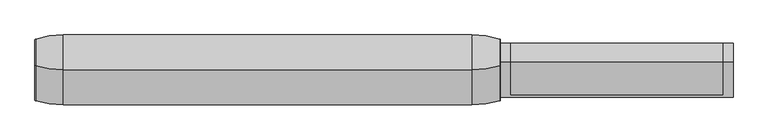
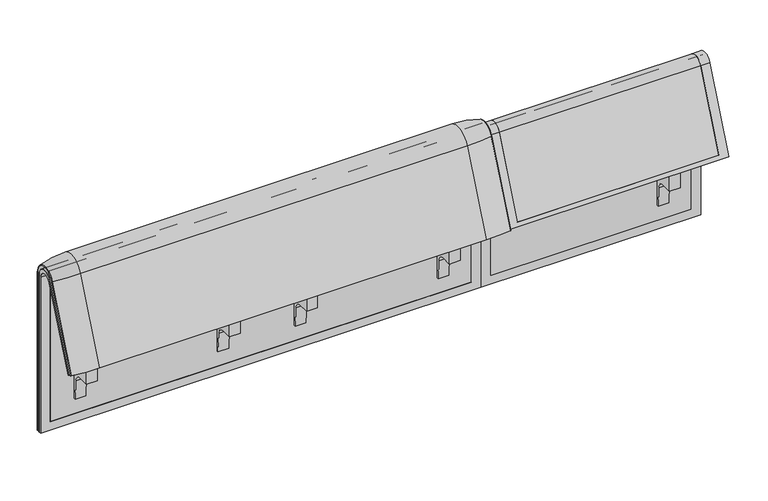
"""IFC4 building model written with IfcOpenShell, lengths in millimetres: furniture geometry."""

from ifc_helpers import new_model, si_unit, point, frame, frame_2d, origin, place, context, project, spatial, polyline, circle_curve, ellipse_curve, trimmed, segment, composite_curve, outline, extrude, source, transform, mapped, element, save
from ifc_brep_helpers import plane_surface, cylinder_surface, revolved_surface, advanced_brep


def furniture_bf7353c8(model_context):
    return source(origin(), model_context, "Body", "SolidModel", [
        extrude(outline(composite_curve([segment(trimmed(circle_curve(frame_2d((305.0000061, 379.9223263)), 30.0), [point((305.0000061, 349.9223263))], [point((335.0000061, 379.9223263))], True, "CARTESIAN"), True, "CONTINUOUS"), segment(polyline([(335.0000061, 379.9223263), (335.0000061, 515.0657595)]), True, "CONTINUOUS"), segment(trimmed(circle_curve(frame_2d((305.0000061, 515.0657595)), 30.0), [point((335.0000061, 515.0657595))], [point((316.7219399, 542.6809051))], True, "CARTESIAN"), True, "CONTINUOUS"), segment(polyline([(316.7219399, 542.6809051), (257.4911714, 567.8228747)]), True, "CONTINUOUS"), segment(trimmed(circle_curve(frame_2d((251.6302045, 554.0153019)), 15.0), [point((257.4911714, 567.8228747))], [point((238.0355877, 560.3545758))], True, "CARTESIAN"), True, "CONTINUOUS"), segment(polyline([(238.0355877, 560.3545758), (222.2725218, 526.5505721), (213.7507451, 529.5682915), (296.3054528, 724.0549949)]), True, "CONTINUOUS"), segment(trimmed(circle_curve(frame_2d((322.520748, 712.9272623)), 28.479258), [point((296.3054528, 724.0549949))], [point((351.0000061, 712.9272623))], False, "CARTESIAN"), True, "CONTINUOUS"), segment(polyline([(351.0000061, 712.9272623), (351.0000061, 197.0551771), (343.3075759, 197.0551771), (339.4064861, 271.492405)]), True, "CONTINUOUS"), segment(trimmed(circle_curve(frame_2d((309.4476, 269.9223263)), 30.0), [point((339.4064861, 271.492405))], [point((309.4476, 299.9223263))], True, "CARTESIAN"), True, "CONTINUOUS"), segment(polyline([(309.4476, 299.9223263), (270.0000061, 299.9223263), (270.0000061, 359.9223263), (275.0000061, 359.9223263)]), True, "CONTINUOUS"), segment(trimmed(circle_curve(frame_2d((285.0000061, 359.9223263)), 10.0), [point((275.0000061, 359.9223263))], [point((285.0000061, 349.9223263))], True, "CARTESIAN"), True, "CONTINUOUS"), segment(polyline([(285.0000061, 349.9223263), (305.0000061, 349.9223263)]), True, "CONTINUOUS")], self_intersect=False), holes=[composite_curve([segment(polyline([(337.5000061, 576.3274105), (337.5000061, 716.7072663)]), True, "CONTINUOUS"), segment(trimmed(circle_curve(frame_2d((322.5000061, 716.7072663)), 15.0), [point((337.5000061, 716.7072663))], [point((308.9053893, 723.0465402))], True, "CARTESIAN"), True, "CONTINUOUS"), segment(polyline([(308.9053893, 723.0465402), (253.6256191, 604.4986904)]), True, "CONTINUOUS"), segment(trimmed(circle_curve(frame_2d((271.7517748, 596.0463251)), 20.0), [point((253.6256191, 604.4986904))], [point((265.0756376, 577.1934953))], True, "CARTESIAN"), True, "CONTINUOUS"), segment(polyline([(265.0756376, 577.1934953), (314.1406626, 559.8186587)]), True, "CONTINUOUS"), segment(trimmed(circle_curve(frame_2d((319.9867182, 576.3274105)), 17.5132879), [point((314.1406626, 559.8186587))], [point((337.5000061, 576.3274105))], True, "CARTESIAN"), True, "CONTINUOUS")], self_intersect=False)]), frame((-284.9782527, 0.0, 0.0), z_axis=(1.0, 0.0, 0.0), x_axis=(0.0, 1.0, 0.0)), (0.0, 0.0, 1.0), 40.0),
        extrude(outline(composite_curve([segment(trimmed(circle_curve(frame_2d((305.0000061, 379.9223263)), 30.0), [point((305.0000061, 349.9223263))], [point((335.0000061, 379.9223263))], True, "CARTESIAN"), True, "CONTINUOUS"), segment(polyline([(335.0000061, 379.9223263), (335.0000061, 515.0657595)]), True, "CONTINUOUS"), segment(trimmed(circle_curve(frame_2d((305.0000061, 515.0657595)), 30.0), [point((335.0000061, 515.0657595))], [point((316.7219399, 542.6809051))], True, "CARTESIAN"), True, "CONTINUOUS"), segment(polyline([(316.7219399, 542.6809051), (257.4911714, 567.8228747)]), True, "CONTINUOUS"), segment(trimmed(circle_curve(frame_2d((251.6302045, 554.0153019)), 15.0), [point((257.4911714, 567.8228747))], [point((238.0355877, 560.3545758))], True, "CARTESIAN"), True, "CONTINUOUS"), segment(polyline([(238.0355877, 560.3545758), (222.2725218, 526.5505721), (213.7507451, 529.5682915), (296.3054528, 724.0549949)]), True, "CONTINUOUS"), segment(trimmed(circle_curve(frame_2d((322.520748, 712.9272623)), 28.479258), [point((296.3054528, 724.0549949))], [point((351.0000061, 712.9272623))], False, "CARTESIAN"), True, "CONTINUOUS"), segment(polyline([(351.0000061, 712.9272623), (351.0000061, 197.0551771), (343.3075759, 197.0551771), (339.4064861, 271.492405)]), True, "CONTINUOUS"), segment(trimmed(circle_curve(frame_2d((309.4476, 269.9223263)), 30.0), [point((339.4064861, 271.492405))], [point((309.4476, 299.9223263))], True, "CARTESIAN"), True, "CONTINUOUS"), segment(polyline([(309.4476, 299.9223263), (270.0000061, 299.9223263), (270.0000061, 359.9223263), (275.0000061, 359.9223263)]), True, "CONTINUOUS"), segment(trimmed(circle_curve(frame_2d((285.0000061, 359.9223263)), 10.0), [point((275.0000061, 359.9223263))], [point((285.0000061, 349.9223263))], True, "CARTESIAN"), True, "CONTINUOUS"), segment(polyline([(285.0000061, 349.9223263), (305.0000061, 349.9223263)]), True, "CONTINUOUS")], self_intersect=False), holes=[composite_curve([segment(polyline([(337.5000061, 576.3274105), (337.5000061, 716.7072663)]), True, "CONTINUOUS"), segment(trimmed(circle_curve(frame_2d((322.5000061, 716.7072663)), 15.0), [point((337.5000061, 716.7072663))], [point((308.9053893, 723.0465402))], True, "CARTESIAN"), True, "CONTINUOUS"), segment(polyline([(308.9053893, 723.0465402), (253.6256191, 604.4986904)]), True, "CONTINUOUS"), segment(trimmed(circle_curve(frame_2d((271.7517748, 596.0463251)), 20.0), [point((253.6256191, 604.4986904))], [point((265.0756376, 577.1934953))], True, "CARTESIAN"), True, "CONTINUOUS"), segment(polyline([(265.0756376, 577.1934953), (314.1406626, 559.8186587)]), True, "CONTINUOUS"), segment(trimmed(circle_curve(frame_2d((319.9867182, 576.3274105)), 17.5132879), [point((314.1406626, 559.8186587))], [point((337.5000061, 576.3274105))], True, "CARTESIAN"), True, "CONTINUOUS")], self_intersect=False)]), frame((245.0113409, 0.0, 0.0), z_axis=(1.0, 0.0, 0.0), x_axis=(0.0, 1.0, 0.0)), (0.0, 0.0, 1.0), 40.0),
        advanced_brep(
        [(408.0237127, 351.0000061, 101.8476716), (408.0237127, 359.7858817, 101.8476716), (408.0237127, 359.7858817, 720.3417731), (408.0237127, 292.4403877, 733.7122262), (408.0237127, 170.1966807, 437.98305), (408.0237127, 175.0204081, 435.9866665), (408.0237127, 296.2458652, 723.9869215), (408.0237127, 351.0000061, 712.9272623), (-1223.9718733, 351.0000061, 101.8476716), (-1223.9718733, 351.0000061, 712.9272623), (-1223.9718733, 296.2720241, 723.9759107), (-1223.9718733, 175.0204081, 435.9866665), (-1223.9718733, 170.1966807, 437.98305), (-1223.9718733, 292.4403877, 733.7122262), (-1223.9718733, 359.7858817, 720.3417731), (-1223.9718733, 359.7858817, 101.8476716), (373.1071685, 292.4403877, 733.7122262), (373.1071685, 176.0980387, 452.25948), (-1189.0884174, 176.0980387, 452.25948), (-1189.0884174, 292.4403877, 733.7122262), (-1189.0884174, 296.2458652, 723.9869215), (-1189.0884174, 181.0136548, 450.2250668), (373.1071685, 181.0136548, 450.2250668), (373.1071685, 296.2458652, 723.9869215), (373.1071685, 351.0000061, 712.9272623), (373.1071685, 351.0000061, 135.3766997), (-1189.0884174, 351.0000061, 135.3766997), (-1189.0884174, 351.0000061, 712.9272623), (-1189.0884174, 359.7858817, 720.3417731), (-1189.0884174, 359.7858817, 135.3766997), (373.1071685, 359.7858817, 135.3766997), (373.1071685, 359.7858817, 720.3417731)],
        [
            (0, 1),
            (1, 2),
            (2, 3, circle_curve(frame((408.0237127, 324.7858817, 720.3417731), z_axis=(1.0, 0.0, 0.0), x_axis=(0.0, -1.0, 0.0)), 35.0)),
            (3, 4),
            (4, 5),
            (5, 6),
            (6, 7, circle_curve(frame((408.0237127, 322.520748, 712.9272623), z_axis=(-1.0, 0.0, 0.0), x_axis=(0.0, -1.0, 0.0)), 28.479258)),
            (7, 0),
            (8, 9),
            (9, 10, circle_curve(frame((-1223.9718733, 322.520748, 712.9272623), z_axis=(1.0, 0.0, 0.0), x_axis=(0.0, -1.0, 0.0)), 28.479258)),
            (10, 11),
            (11, 12),
            (12, 13),
            (13, 14, circle_curve(frame((-1223.9718733, 324.7858817, 720.3417731), z_axis=(-1.0, 0.0, 0.0), x_axis=(0.0, -1.0, 0.0)), 35.0)),
            (14, 15),
            (15, 8),
            (3, 16),
            (16, 17),
            (17, 18),
            (18, 19),
            (19, 13),
            (12, 4),
            (11, 5),
            (10, 20),
            (20, 21),
            (21, 22),
            (22, 23),
            (23, 6),
            (7, 24),
            (24, 25),
            (25, 26),
            (26, 27),
            (27, 9),
            (8, 0),
            (15, 1),
            (14, 28),
            (28, 29),
            (29, 30),
            (30, 31),
            (31, 2),
            (31, 16, circle_curve(frame((373.1071685, 324.7858817, 720.3417731), z_axis=(1.0, 0.0, 0.0), x_axis=(0.0, -1.0, 0.0)), 35.0)),
            (19, 28, circle_curve(frame((-1189.0884174, 324.7858817, 720.3417731), z_axis=(-1.0, 0.0, 0.0), x_axis=(0.0, -1.0, 0.0)), 35.0)),
            (23, 24, circle_curve(frame((373.1071685, 322.520748, 712.9272623), z_axis=(-1.0, 0.0, 0.0), x_axis=(0.0, -1.0, 0.0)), 28.479258)),
            (27, 20, circle_curve(frame((-1189.0884174, 322.520748, 712.9272623), z_axis=(1.0, 0.0, 0.0), x_axis=(0.0, -1.0, 0.0)), 28.479258)),
            (22, 17),
            (30, 25),
            (26, 29),
            (18, 21),
        ],
        [
            plane_surface(frame((408.0237127, 359.7858817, 101.8476716), z_axis=(1.0, 0.0, 0.0), x_axis=(0.0, 1.0, 0.0))),
            plane_surface(frame((-1223.9718733, 359.7858817, 101.8476716), z_axis=(-1.0, 0.0, 0.0), x_axis=(0.0, -1.0, 0.0))),
            plane_surface(frame((408.0237127, 292.4403877, 733.7122262), z_axis=(0.0, -0.9241569717933176, 0.3820129467515535), x_axis=(-1.0, 0.0, 0.0))),
            plane_surface(frame((408.0237127, 170.1966807, 437.98305), z_axis=(0.0, -0.3824103944198279, -0.9239925812687414), x_axis=(-1.0, 0.0, 0.0))),
            plane_surface(frame((408.0237127, 175.0204081, 435.9866665), z_axis=(0.0, 0.921678643444566, -0.3879542218073993), x_axis=(-1.0, 0.0, 0.0))),
            plane_surface(frame((408.0237127, 351.0000061, 712.9272623), z_axis=(0.0, -1.0, 0.0), x_axis=(-1.0, 0.0, 0.0))),
            plane_surface(frame((408.0237127, 351.0000061, 101.8476716), z_axis=(0.0, 0.0, -1.0), x_axis=(-1.0, 0.0, 0.0))),
            plane_surface(frame((408.0237127, 359.7858817, 101.8476716), z_axis=(0.0, 1.0, 0.0), x_axis=(-1.0, 0.0, 0.0))),
            cylinder_surface(frame((-1223.9718733, 324.7858817, 720.3417731), z_axis=(1.0, 0.0, 0.0), x_axis=(0.0, -1.0, 0.0)), 35.0),
            revolved_surface(polyline([(373.10716849999994, 294.04149, 712.9272623), (408.02371270000003, 294.04149, 712.9272623)]), (-1223.9718733, 322.520748, 712.9272623), (-1.0, 0.0, 0.0)),
            revolved_surface(polyline([(-1223.9718733, 294.04149, 712.9272623), (-1189.0884174, 294.04149, 712.9272623)]), (-1223.9718733, 322.520748, 712.9272623), (-1.0, 0.0, 0.0)),
            plane_surface(frame((373.1071685, 359.7858817, 135.3766997), z_axis=(-1.0, 0.0, 0.0), x_axis=(0.0, 1.0, 0.0))),
            plane_surface(frame((-1189.0884174, 359.7858817, 135.3766997), z_axis=(1.0, 0.0, 0.0), x_axis=(0.0, -1.0, 0.0))),
            plane_surface(frame((373.1071685, 166.9120641, 456.0612553), z_axis=(0.0, 0.38241039441982605, 0.9239925812687422), x_axis=(-1.0, 0.0, 0.0))),
            plane_surface(frame((373.1071685, 344.7858817, 135.3766997), z_axis=(0.0, 0.0, 1.0), x_axis=(-1.0, 0.0, 0.0))),
        ],
        [
            (0, [[1, 2, 3, 4, 5, 6, 7, 8]]),
            (1, [[9, 10, 11, 12, 13, 14, 15, 16]]),
            (2, [[-4, 17, 18, 19, 20, 21, -13, 22]]),
            (3, [[-5, -22, -12, 23]]),
            (4, [[-6, -23, -11, 24, 25, 26, 27, 28]]),
            (5, [[-8, 29, 30, 31, 32, 33, -9, 34]]),
            (6, [[-1, -34, -16, 35]]),
            (7, [[-2, -35, -15, 36, 37, 38, 39, 40]]),
            (8, [[-3, -40, 41, -17]]),
            (8, [[-14, -21, 42, -36]]),
            (9, [[-7, -28, 43, -29]]),
            (10, [[-10, -33, 44, -24]]),
            (11, [[45, -18, -41, -39, 46, -30, -43, -27]]),
            (12, [[47, -37, -42, -20, 48, -25, -44, -32]]),
            (13, [[-45, -26, -48, -19]]),
            (14, [[-46, -38, -47, -31]]),
        ],
    ),
        advanced_brep(
        [(373.1071685, 351.0000061, 135.3766997), (373.1071685, 359.7858817, 135.3766997), (373.1071685, 359.7858817, 720.3417731), (373.1071685, 292.4403877, 733.7122262), (373.1071685, 176.0980387, 452.25948), (373.1071685, 181.0136548, 450.2250668), (373.1071685, 296.2458652, 723.9869215), (373.1071685, 351.0000061, 712.9272623), (-1189.0884174, 351.0000061, 135.3766997), (-1189.0884174, 351.0000061, 712.9272623), (-1189.0884174, 296.2720241, 723.9759107), (-1189.0884174, 181.0136548, 450.2250668), (-1189.0884174, 176.0980387, 452.25948), (-1189.0884174, 292.4403877, 733.7122262), (-1189.0884174, 359.7858817, 720.3417731), (-1189.0884174, 359.7858817, 135.3766997)],
        [
            (0, 1),
            (1, 2),
            (2, 3, circle_curve(frame((373.1071685, 324.7858817, 720.3417731), z_axis=(1.0, 0.0, 0.0), x_axis=(0.0, -1.0, 0.0)), 35.0)),
            (3, 4),
            (4, 5),
            (5, 6),
            (6, 7, circle_curve(frame((373.1071685, 322.520748, 712.9272623), z_axis=(-1.0, 0.0, 0.0), x_axis=(0.0, -1.0, 0.0)), 28.479258)),
            (7, 0),
            (8, 9),
            (9, 10, circle_curve(frame((-1189.0884174, 322.520748, 712.9272623), z_axis=(1.0, 0.0, 0.0), x_axis=(0.0, -1.0, 0.0)), 28.479258)),
            (10, 11),
            (11, 12),
            (12, 13),
            (13, 14, circle_curve(frame((-1189.0884174, 324.7858817, 720.3417731), z_axis=(-1.0, 0.0, 0.0), x_axis=(0.0, -1.0, 0.0)), 35.0)),
            (14, 15),
            (15, 8),
            (3, 13),
            (12, 4),
            (11, 5),
            (10, 6),
            (7, 9),
            (8, 0),
            (15, 1),
            (14, 2),
        ],
        [
            plane_surface(frame((373.1071685, 359.7858817, 135.3766997), z_axis=(1.0, 0.0, 0.0), x_axis=(0.0, 1.0, 0.0))),
            plane_surface(frame((-1189.0884174, 359.7858817, 135.3766997), z_axis=(-1.0, 0.0, 0.0), x_axis=(0.0, -1.0, 0.0))),
            plane_surface(frame((373.1071685, 292.4403877, 733.7122262), z_axis=(0.0, -0.9241569717933176, 0.3820129467515535), x_axis=(-1.0, 0.0, 0.0))),
            plane_surface(frame((373.1071685, 176.0980387, 452.25948), z_axis=(0.0, -0.38241039441982716, -0.9239925812687417), x_axis=(-1.0, 0.0, 0.0))),
            plane_surface(frame((373.1071685, 181.0136548, 450.2250668), z_axis=(0.0, 0.921678643444566, -0.3879542218073993), x_axis=(-1.0, 0.0, 0.0))),
            plane_surface(frame((373.1071685, 351.0000061, 712.9272623), z_axis=(0.0, -1.0, 0.0), x_axis=(-1.0, 0.0, 0.0))),
            plane_surface(frame((373.1071685, 351.0000061, 135.3766997), z_axis=(0.0, 0.0, -1.0), x_axis=(-1.0, 0.0, 0.0))),
            plane_surface(frame((373.1071685, 359.7858817, 135.3766997), z_axis=(0.0, 1.0, 0.0), x_axis=(-1.0, 0.0, 0.0))),
            cylinder_surface(frame((-1189.0884174, 324.7858817, 720.3417731), z_axis=(1.0, 0.0, 0.0), x_axis=(0.0, -1.0, 0.0)), 35.0),
            revolved_surface(polyline([(-1189.0884174, 294.04149, 712.9272623), (373.10716849999994, 294.04149, 712.9272623)]), (-1189.0884174, 322.520748, 712.9272623), (-1.0, 0.0, 0.0)),
        ],
        [
            (0, [[1, 2, 3, 4, 5, 6, 7, 8]]),
            (1, [[9, 10, 11, 12, 13, 14, 15, 16]]),
            (2, [[-4, 17, -13, 18]]),
            (3, [[-5, -18, -12, 19]]),
            (4, [[-6, -19, -11, 20]]),
            (5, [[-8, 21, -9, 22]]),
            (6, [[-1, -22, -16, 23]]),
            (7, [[-2, -23, -15, 24]]),
            (8, [[-3, -24, -14, -17]]),
            (9, [[-7, -20, -10, -21]]),
        ],
    ),
        extrude(outline(composite_curve([segment(trimmed(circle_curve(frame_2d((305.0000061, 379.9223263)), 30.0), [point((305.0000061, 349.9223263))], [point((335.0000061, 379.9223263))], True, "CARTESIAN"), True, "CONTINUOUS"), segment(polyline([(335.0000061, 379.9223263), (335.0000061, 515.0657595)]), True, "CONTINUOUS"), segment(trimmed(circle_curve(frame_2d((305.0000061, 515.0657595)), 30.0), [point((335.0000061, 515.0657595))], [point((316.7219399, 542.6809051))], True, "CARTESIAN"), True, "CONTINUOUS"), segment(polyline([(316.7219399, 542.6809051), (257.4911714, 567.8228747)]), True, "CONTINUOUS"), segment(trimmed(circle_curve(frame_2d((251.6302045, 554.0153019)), 15.0), [point((257.4911714, 567.8228747))], [point((238.0355877, 560.3545758))], True, "CARTESIAN"), True, "CONTINUOUS"), segment(polyline([(238.0355877, 560.3545758), (222.2725218, 526.5505721), (213.7507451, 529.5682915), (296.3054528, 724.0549949)]), True, "CONTINUOUS"), segment(trimmed(circle_curve(frame_2d((322.520748, 712.9272623)), 28.479258), [point((296.3054528, 724.0549949))], [point((351.0000061, 712.9272623))], False, "CARTESIAN"), True, "CONTINUOUS"), segment(polyline([(351.0000061, 712.9272623), (351.0000061, 197.0551771), (343.3075759, 197.0551771), (339.4064861, 271.492405)]), True, "CONTINUOUS"), segment(trimmed(circle_curve(frame_2d((309.4476, 269.9223263)), 30.0), [point((339.4064861, 271.492405))], [point((309.4476, 299.9223263))], True, "CARTESIAN"), True, "CONTINUOUS"), segment(polyline([(309.4476, 299.9223263), (270.0000061, 299.9223263), (270.0000061, 359.9223263), (275.0000061, 359.9223263)]), True, "CONTINUOUS"), segment(trimmed(circle_curve(frame_2d((285.0000061, 359.9223263)), 10.0), [point((275.0000061, 359.9223263))], [point((285.0000061, 349.9223263))], True, "CARTESIAN"), True, "CONTINUOUS"), segment(polyline([(285.0000061, 349.9223263), (305.0000061, 349.9223263)]), True, "CONTINUOUS")], self_intersect=False), holes=[composite_curve([segment(polyline([(337.5000061, 576.3274105), (337.5000061, 716.7072663)]), True, "CONTINUOUS"), segment(trimmed(circle_curve(frame_2d((322.5000061, 716.7072663)), 15.0), [point((337.5000061, 716.7072663))], [point((308.9053893, 723.0465402))], True, "CARTESIAN"), True, "CONTINUOUS"), segment(polyline([(308.9053893, 723.0465402), (253.6256191, 604.4986904)]), True, "CONTINUOUS"), segment(trimmed(circle_curve(frame_2d((271.7517748, 596.0463251)), 20.0), [point((253.6256191, 604.4986904))], [point((265.0756376, 577.1934953))], True, "CARTESIAN"), True, "CONTINUOUS"), segment(polyline([(265.0756376, 577.1934953), (314.1406626, 559.8186587)]), True, "CONTINUOUS"), segment(trimmed(circle_curve(frame_2d((319.9867182, 576.3274105)), 17.5132879), [point((314.1406626, 559.8186587))], [point((337.5000061, 576.3274105))], True, "CARTESIAN"), True, "CONTINUOUS")], self_intersect=False)]), frame((-571.0029962, 0.0, 0.0), z_axis=(1.0, 0.0, 0.0), x_axis=(0.0, 1.0, 0.0)), (0.0, 0.0, 1.0), 40.0),
        advanced_brep(
        [(308.0237127, 388.2902376, 100.5089435), (405.8850842, 373.93893, 100.5089435), (408.0237127, 371.0652495, 100.5089435), (408.0237127, 359.7858817, 100.5089435), (-1224.0049615, 359.7858817, 100.5089435), (-1224.0049615, 371.0652495, 100.5089435), (-1221.866333, 373.93893, 100.5089435), (-1124.0049615, 388.2902376, 100.5089435), (-1124.0049615, 388.2902376, 720.3417731), (308.0237127, 388.2902376, 720.3417731), (405.8850842, 373.93893, 720.3417731), (408.0237127, 371.0652495, 720.3417731), (408.0237127, 282.0164812, 738.0210907), (408.0237127, 159.7723383, 442.2908598), (408.0237127, 170.1962447, 437.9819952), (408.0237127, 292.4403877, 733.7122262), (408.0237127, 359.7858817, 720.3417731), (-1224.0049615, 359.7858817, 720.3417731), (308.0237127, 143.8537454, 448.8710282), (-1124.0049615, 143.8537454, 448.8710282), (-1221.866333, 157.1166065, 443.3886429), (-1224.0049615, 159.7723383, 442.2908598), (-1224.0049615, 170.1962447, 437.9819952), (405.8850842, 157.1166065, 443.3886429), (308.0237127, 266.0978884, 744.6012592), (-1124.0049615, 266.0978884, 744.6012592), (405.8850842, 279.3607494, 739.1188739), (-1224.0049615, 292.4403877, 733.7122262), (-1224.0049615, 282.0164812, 738.0210907), (-1224.0049615, 371.0652495, 720.3417731), (-1221.866333, 373.93893, 720.3417731), (-1221.866333, 279.3607494, 739.1188739)],
        [
            (0, 1, circle_curve(frame((308.0237127, 47.4569043, 100.5089435), z_axis=(0.0, 0.0, -1.0), x_axis=(0.0, -1.0, 0.0)), 340.8333333)),
            (1, 2, circle_curve(frame((405.0237127, 371.0652495, 100.5089435), z_axis=(0.0, 0.0, -1.0), x_axis=(1.0, 0.0, 0.0)), 3.0)),
            (2, 3),
            (3, 4),
            (4, 5),
            (5, 6, circle_curve(frame((-1221.0049615, 371.0652495, 100.5089435), z_axis=(0.0, 0.0, -1.0), x_axis=(-1.0, 0.0, 0.0)), 3.0)),
            (6, 7, circle_curve(frame((-1124.0049615, 47.4569043, 100.5089435), z_axis=(0.0, 0.0, -1.0), x_axis=(0.0, -1.0, 0.0)), 340.8333333)),
            (7, 0),
            (7, 8),
            (8, 9),
            (9, 0),
            (9, 10, circle_curve(frame((308.0237127, 47.4569043, 720.3417731), z_axis=(0.0, 0.0, -1.0), x_axis=(0.0, -1.0, 0.0)), 340.8333333)),
            (10, 1),
            (10, 11, circle_curve(frame((405.0237127, 371.0652495, 720.3417731), z_axis=(0.0, 0.0, -1.0), x_axis=(1.0, 0.0, 0.0)), 3.0)),
            (11, 2),
            (11, 12, circle_curve(frame((408.0237127, 324.7858817, 720.3417731), z_axis=(1.0, 0.0, 0.0), x_axis=(0.0, 1.0, 0.0)), 46.2793679)),
            (12, 13),
            (13, 14),
            (14, 15),
            (15, 16, circle_curve(frame((408.0237127, 324.7858817, 720.3417731), z_axis=(-1.0, 0.0, 0.0), x_axis=(0.0, 1.0, 0.0)), 35.0)),
            (16, 3),
            (16, 17),
            (17, 4),
            (18, 19),
            (19, 20, circle_curve(frame((-1124.0049615, 458.8372467, 318.6682822), z_axis=(0.0, -0.38201294675155345, -0.9241569717933176), x_axis=(0.0, 0.9241569717933176, -0.38201294675155345)), 340.8333333)),
            (20, 21, circle_curve(frame((-1221.0049615, 159.7723383, 442.2908598), z_axis=(0.0, -0.38201294675155345, -0.9241569717933176), x_axis=(-1.0, 0.0, 0.0)), 3.0)),
            (21, 22),
            (22, 14),
            (13, 23, circle_curve(frame((405.0237127, 159.7723383, 442.2908598), z_axis=(0.0, -0.38201294675155345, -0.9241569717933176), x_axis=(1.0, 0.0, 0.0)), 3.0)),
            (23, 18, circle_curve(frame((308.0237127, 458.8372467, 318.6682822), z_axis=(0.0, -0.38201294675155345, -0.9241569717933176), x_axis=(0.0, 0.9241569717933176, -0.38201294675155345)), 340.8333333)),
            (24, 9, circle_curve(frame((308.0237127, 324.7858817, 720.3417731), z_axis=(-1.0, 0.0, 0.0), x_axis=(0.0, 1.0, 0.0)), 63.5043559)),
            (8, 25, circle_curve(frame((-1124.0049615, 324.7858817, 720.3417731), z_axis=(1.0, 0.0, 0.0), x_axis=(0.0, 1.0, 0.0)), 63.5043559)),
            (25, 24),
            (26, 10, circle_curve(frame((405.8850842, 324.7858817, 720.3417731), z_axis=(-1.0, 0.0, 0.0), x_axis=(0.0, 1.0, 0.0)), 49.1530483)),
            (24, 26, circle_curve(frame((308.0237127, 581.0813896, 614.3985132), z_axis=(0.0, 0.3820129467515556, 0.9241569717933167), x_axis=(0.0, 0.9241569717933167, -0.3820129467515556)), 340.8333333)),
            (26, 12, circle_curve(frame((405.0237127, 282.0164812, 738.0210907), z_axis=(0.0, 0.3820129467515548, 0.924156971793317), x_axis=(1.0, 0.0, 0.0)), 3.0)),
            (27, 17, circle_curve(frame((-1224.0049615, 324.7858817, 720.3417731), z_axis=(-1.0, 0.0, 0.0), x_axis=(0.0, 1.0, 0.0)), 35.0)),
            (15, 27),
            (25, 19),
            (18, 24),
            (23, 26),
            (22, 27),
            (21, 28),
            (28, 29, circle_curve(frame((-1224.0049615, 324.7858817, 720.3417731), z_axis=(-1.0, 0.0, 0.0), x_axis=(0.0, 1.0, 0.0)), 46.2793679)),
            (29, 5),
            (29, 30, circle_curve(frame((-1221.0049615, 371.0652495, 720.3417731), z_axis=(0.0, 0.0, -1.0), x_axis=(-1.0, 0.0, 0.0)), 3.0)),
            (30, 6),
            (30, 8, circle_curve(frame((-1124.0049615, 47.4569043, 720.3417731), z_axis=(0.0, 0.0, -1.0), x_axis=(0.0, -1.0, 0.0)), 340.8333333)),
            (31, 30, circle_curve(frame((-1221.866333, 324.7858817, 720.3417731), z_axis=(-1.0, 0.0, 0.0), x_axis=(0.0, 1.0, 0.0)), 49.1530483)),
            (28, 31, circle_curve(frame((-1221.0049615, 282.0164812, 738.0210907), z_axis=(0.0, 0.382012946751554, 0.9241569717933174), x_axis=(-1.0, 0.0, 0.0)), 3.0)),
            (31, 25, circle_curve(frame((-1124.0049615, 581.0813896, 614.3985132), z_axis=(0.0, 0.382012946751554, 0.9241569717933174), x_axis=(0.0, 0.9241569717933174, -0.382012946751554)), 340.8333333)),
            (20, 31),
        ],
        [
            plane_surface(frame((-811.2327697, 359.7858817, 100.5089435), z_axis=(0.0, 0.0, -1.0), x_axis=(1.0, 0.0, 0.0))),
            plane_surface(frame((-1124.0049615, 388.2902376, 100.5089435), z_axis=(0.0, 1.0, 0.0), x_axis=(0.0, 0.0, 1.0))),
            cylinder_surface(frame((308.0237127, 47.4569043, 100.5089435), z_axis=(0.0, 0.0, -1.0), x_axis=(0.0, -1.0, 0.0)), 340.8333333),
            cylinder_surface(frame((405.0237127, 371.0652495, 100.5089435), z_axis=(0.0, 0.0, -1.0), x_axis=(1.0, 0.0, 0.0)), 3.0),
            plane_surface(frame((408.0237127, 371.0652495, 100.5089435), z_axis=(1.0, 0.0, 0.0), x_axis=(0.0, 0.0, 1.0))),
            plane_surface(frame((408.0237127, 359.7858817, 100.5089435), z_axis=(0.0, -1.0, 0.0), x_axis=(0.0, 0.0, 1.0))),
            plane_surface(frame((-811.2327697, 170.1962447, 437.9819952), z_axis=(0.0, -0.38201294675155345, -0.9241569717933176), x_axis=(1.0, 0.0, 0.0))),
            cylinder_surface(frame((-811.2327697, 324.7858817, 720.3417731), z_axis=(1.0, 0.0, 0.0), x_axis=(0.0, 1.0, 0.0)), 63.5043559),
            revolved_surface(trimmed(ellipse_curve(frame((308.0237127, 47.4569043, 720.3417731), z_axis=(0.0, 0.0, -1.0), x_axis=(0.0, -1.0, 0.0)), 340.8333333, 340.8333333), [point((308.0237127, 388.2902376, 720.3417731))], [point((405.8850842, 373.93893, 720.3417731))], True, "CARTESIAN"), (-811.2327697, 324.7858817, 720.3417731), (1.0, 0.0, 0.0)),
            revolved_surface(trimmed(ellipse_curve(frame((405.0237127, 371.0652495, 720.3417731), z_axis=(0.0, 0.0, -1.0), x_axis=(1.0, 0.0, 0.0)), 3.0, 3.0), [point((405.8850842, 373.93893, 720.3417731))], [point((408.0237127, 371.0652495, 720.3417731))], True, "CARTESIAN"), (-811.2327697, 324.7858817, 720.3417731), (1.0, 0.0, 0.0)),
            revolved_surface(polyline([(408.0237126999999, 359.7858817, 720.3417731), (-1224.0049615, 359.7858817, 720.3417731)]), (-811.2327697, 324.7858817, 720.3417731), (1.0, 0.0, 0.0)),
            plane_surface(frame((-1124.0049615, 266.0978884, 744.6012592), z_axis=(0.0, -0.9241569717933174, 0.38201294675155406), x_axis=(0.0, -0.38201294675155406, -0.9241569717933174))),
            cylinder_surface(frame((308.0237127, 581.0813896, 614.3985132), z_axis=(0.0, 0.38201294675155345, 0.9241569717933176), x_axis=(0.0, 0.9241569717933176, -0.38201294675155345)), 340.8333333),
            cylinder_surface(frame((405.0237127, 282.0164812, 738.0210907), z_axis=(0.0, 0.38201294675155345, 0.9241569717933176), x_axis=(1.0, 0.0, 0.0)), 3.0),
            plane_surface(frame((408.0237127, 292.4403877, 733.7122262), z_axis=(0.0, 0.9241569717933175, -0.3820129467515539), x_axis=(0.0, -0.3820129467515539, -0.9241569717933175))),
            plane_surface(frame((-1224.0049615, 359.7858817, 100.5089435), z_axis=(-1.0, 0.0, 0.0), x_axis=(0.0, 0.0, 1.0))),
            cylinder_surface(frame((-1221.0049615, 371.0652495, 100.5089435), z_axis=(0.0, 0.0, -1.0), x_axis=(-1.0, 0.0, 0.0)), 3.0),
            cylinder_surface(frame((-1124.0049615, 47.4569043, 100.5089435), z_axis=(0.0, 0.0, -1.0), x_axis=(0.0, -1.0, 0.0)), 340.8333333),
            revolved_surface(trimmed(ellipse_curve(frame((-1221.0049615, 371.0652495, 720.3417731), z_axis=(0.0, 0.0, -1.0), x_axis=(-1.0, 0.0, 0.0)), 3.0, 3.0), [point((-1224.0049615, 371.0652495, 720.3417731))], [point((-1221.866333, 373.93893, 720.3417731))], True, "CARTESIAN"), (-811.2327697, 324.7858817, 720.3417731), (1.0, 0.0, 0.0)),
            revolved_surface(trimmed(ellipse_curve(frame((-1124.0049615, 47.4569043, 720.3417731), z_axis=(0.0, 0.0, -1.0), x_axis=(0.0, -1.0, 0.0)), 340.8333333, 340.8333333), [point((-1221.866333, 373.93893, 720.3417731))], [point((-1124.0049615, 388.2902376, 720.3417731))], True, "CARTESIAN"), (-811.2327697, 324.7858817, 720.3417731), (1.0, 0.0, 0.0)),
            cylinder_surface(frame((-1221.0049615, 282.0164812, 738.0210907), z_axis=(0.0, 0.38201294675155345, 0.9241569717933176), x_axis=(-1.0, 0.0, 0.0)), 3.0),
            cylinder_surface(frame((-1124.0049615, 581.0813896, 614.3985132), z_axis=(0.0, 0.38201294675155345, 0.9241569717933176), x_axis=(0.0, 0.9241569717933176, -0.38201294675155345)), 340.8333333),
        ],
        [
            (0, [[1, 2, 3, 4, 5, 6, 7, 8]]),
            (1, [[-8, 9, 10, 11]]),
            (2, [[-1, -11, 12, 13]]),
            (3, [[-2, -13, 14, 15]]),
            (4, [[-3, -15, 16, 17, 18, 19, 20, 21]]),
            (5, [[-4, -21, 22, 23]]),
            (6, [[24, 25, 26, 27, 28, -18, 29, 30]]),
            (7, [[31, -10, 32, 33]]),
            (8, [[34, -12, -31, 35]]),
            (9, [[-16, -14, -34, 36]]),
            (10, [[37, -22, -20, 38]]),
            (11, [[-33, 39, -24, 40]]),
            (12, [[-35, -40, -30, 41]]),
            (13, [[-36, -41, -29, -17]]),
            (14, [[-38, -19, -28, 42]]),
            (15, [[-5, -23, -37, -42, -27, 43, 44, 45]]),
            (16, [[-6, -45, 46, 47]]),
            (17, [[-7, -47, 48, -9]]),
            (18, [[49, -46, -44, 50]]),
            (19, [[-32, -48, -49, 51]]),
            (20, [[-50, -43, -26, 52]]),
            (21, [[-51, -52, -25, -39]]),
        ],
    ),
        extrude(outline(composite_curve([segment(trimmed(circle_curve(frame_2d((305.0000061, 379.9223263)), 30.0), [point((305.0000061, 349.9223263))], [point((335.0000061, 379.9223263))], True, "CARTESIAN"), True, "CONTINUOUS"), segment(polyline([(335.0000061, 379.9223263), (335.0000061, 515.0657595)]), True, "CONTINUOUS"), segment(trimmed(circle_curve(frame_2d((305.0000061, 515.0657595)), 30.0), [point((335.0000061, 515.0657595))], [point((316.7219399, 542.6809051))], True, "CARTESIAN"), True, "CONTINUOUS"), segment(polyline([(316.7219399, 542.6809051), (257.4911714, 567.8228747)]), True, "CONTINUOUS"), segment(trimmed(circle_curve(frame_2d((251.6302045, 554.0153019)), 15.0), [point((257.4911714, 567.8228747))], [point((238.0355877, 560.3545758))], True, "CARTESIAN"), True, "CONTINUOUS"), segment(polyline([(238.0355877, 560.3545758), (222.2725218, 526.5505721), (213.7507451, 529.5682915), (296.3054528, 724.0549949)]), True, "CONTINUOUS"), segment(trimmed(circle_curve(frame_2d((322.520748, 712.9272623)), 28.479258), [point((296.3054528, 724.0549949))], [point((351.0000061, 712.9272623))], False, "CARTESIAN"), True, "CONTINUOUS"), segment(polyline([(351.0000061, 712.9272623), (351.0000061, 197.0551771), (343.3075759, 197.0551771), (339.4064861, 271.492405)]), True, "CONTINUOUS"), segment(trimmed(circle_curve(frame_2d((309.4476, 269.9223263)), 30.0), [point((339.4064861, 271.492405))], [point((309.4476, 299.9223263))], True, "CARTESIAN"), True, "CONTINUOUS"), segment(polyline([(309.4476, 299.9223263), (270.0000061, 299.9223263), (270.0000061, 359.9223263), (275.0000061, 359.9223263)]), True, "CONTINUOUS"), segment(trimmed(circle_curve(frame_2d((285.0000061, 359.9223263)), 10.0), [point((275.0000061, 359.9223263))], [point((285.0000061, 349.9223263))], True, "CARTESIAN"), True, "CONTINUOUS"), segment(polyline([(285.0000061, 349.9223263), (305.0000061, 349.9223263)]), True, "CONTINUOUS")], self_intersect=False), holes=[composite_curve([segment(polyline([(337.5000061, 576.3274105), (337.5000061, 716.7072663)]), True, "CONTINUOUS"), segment(trimmed(circle_curve(frame_2d((322.5000061, 716.7072663)), 15.0), [point((337.5000061, 716.7072663))], [point((308.9053893, 723.0465402))], True, "CARTESIAN"), True, "CONTINUOUS"), segment(polyline([(308.9053893, 723.0465402), (253.6256191, 604.4986904)]), True, "CONTINUOUS"), segment(trimmed(circle_curve(frame_2d((271.7517748, 596.0463251)), 20.0), [point((253.6256191, 604.4986904))], [point((265.0756376, 577.1934953))], True, "CARTESIAN"), True, "CONTINUOUS"), segment(polyline([(265.0756376, 577.1934953), (314.1406626, 559.8186587)]), True, "CONTINUOUS"), segment(trimmed(circle_curve(frame_2d((319.9867182, 576.3274105)), 17.5132879), [point((314.1406626, 559.8186587))], [point((337.5000061, 576.3274105))], True, "CARTESIAN"), True, "CONTINUOUS")], self_intersect=False)]), frame((-1100.9925898, 0.0, 0.0), z_axis=(1.0, 0.0, 0.0), x_axis=(0.0, 1.0, 0.0)), (0.0, 0.0, 1.0), 40.0),
        advanced_brep(
        [(1224.0215056, 351.0000061, 101.8476716), (1224.0215056, 359.7858817, 101.8476716), (1224.0215056, 359.7858817, 720.3417731), (1224.0215056, 292.4403877, 733.7122262), (1224.0215056, 170.1966807, 437.98305), (1224.0215056, 175.0204081, 435.9866665), (1224.0215056, 296.2458652, 723.9869215), (1224.0215056, 351.0000061, 712.9272623), (408.0402568, 351.0000061, 101.8476716), (408.0402568, 351.0000061, 712.9272623), (408.0402568, 296.2720241, 723.9759107), (408.0402568, 175.0204081, 435.9866665), (408.0402568, 170.1966807, 437.98305), (408.0402568, 292.4403877, 733.7122262), (408.0402568, 359.7858817, 720.3417731), (408.0402568, 359.7858817, 101.8476716), (1189.1049615, 292.4403877, 733.7122262), (1189.1049615, 176.0980387, 452.25948), (442.9237127, 176.0980387, 452.25948), (442.9237127, 292.4403877, 733.7122262), (442.9237127, 296.2458652, 723.9869215), (442.9237127, 181.0136548, 450.2250668), (1189.1049615, 181.0136548, 450.2250668), (1189.1049615, 296.2458652, 723.9869215), (1189.1049615, 351.0000061, 712.9272623), (1189.1049615, 351.0000061, 135.3766997), (442.9237127, 351.0000061, 135.3766997), (442.9237127, 351.0000061, 712.9272623), (442.9237127, 359.7858817, 720.3417731), (442.9237127, 359.7858817, 135.3766997), (1189.1049615, 359.7858817, 135.3766997), (1189.1049615, 359.7858817, 720.3417731)],
        [
            (0, 1),
            (1, 2),
            (2, 3, circle_curve(frame((1224.0215056, 324.7858817, 720.3417731), z_axis=(1.0, 0.0, 0.0), x_axis=(0.0, -1.0, 0.0)), 35.0)),
            (3, 4),
            (4, 5),
            (5, 6),
            (6, 7, circle_curve(frame((1224.0215056, 322.520748, 712.9272623), z_axis=(-1.0, 0.0, 0.0), x_axis=(0.0, -1.0, 0.0)), 28.479258)),
            (7, 0),
            (8, 9),
            (9, 10, circle_curve(frame((408.0402568, 322.520748, 712.9272623), z_axis=(1.0, 0.0, 0.0), x_axis=(0.0, -1.0, 0.0)), 28.479258)),
            (10, 11),
            (11, 12),
            (12, 13),
            (13, 14, circle_curve(frame((408.0402568, 324.7858817, 720.3417731), z_axis=(-1.0, 0.0, 0.0), x_axis=(0.0, -1.0, 0.0)), 35.0)),
            (14, 15),
            (15, 8),
            (3, 16),
            (16, 17),
            (17, 18),
            (18, 19),
            (19, 13),
            (12, 4),
            (11, 5),
            (10, 20),
            (20, 21),
            (21, 22),
            (22, 23),
            (23, 6),
            (7, 24),
            (24, 25),
            (25, 26),
            (26, 27),
            (27, 9),
            (8, 0),
            (15, 1),
            (14, 28),
            (28, 29),
            (29, 30),
            (30, 31),
            (31, 2),
            (31, 16, circle_curve(frame((1189.1049615, 324.7858817, 720.3417731), z_axis=(1.0, 0.0, 0.0), x_axis=(0.0, -1.0, 0.0)), 35.0)),
            (19, 28, circle_curve(frame((442.9237127, 324.7858817, 720.3417731), z_axis=(-1.0, 0.0, 0.0), x_axis=(0.0, -1.0, 0.0)), 35.0)),
            (23, 24, circle_curve(frame((1189.1049615, 322.520748, 712.9272623), z_axis=(-1.0, 0.0, 0.0), x_axis=(0.0, -1.0, 0.0)), 28.479258)),
            (27, 20, circle_curve(frame((442.9237127, 322.520748, 712.9272623), z_axis=(1.0, 0.0, 0.0), x_axis=(0.0, -1.0, 0.0)), 28.479258)),
            (22, 17),
            (30, 25),
            (26, 29),
            (18, 21),
        ],
        [
            plane_surface(frame((1224.0215056, 359.7858817, 101.8476716), z_axis=(1.0, 0.0, 0.0), x_axis=(0.0, 1.0, 0.0))),
            plane_surface(frame((408.0402568, 359.7858817, 101.8476716), z_axis=(-1.0, 0.0, 0.0), x_axis=(0.0, -1.0, 0.0))),
            plane_surface(frame((1224.0215056, 292.4403877, 733.7122262), z_axis=(0.0, -0.9241569717933176, 0.3820129467515535), x_axis=(-1.0, 0.0, 0.0))),
            plane_surface(frame((1224.0215056, 170.1966807, 437.98305), z_axis=(0.0, -0.38241039441983893, -0.9239925812687368), x_axis=(-1.0, 0.0, 0.0))),
            plane_surface(frame((1224.0215056, 175.0204081, 435.9866665), z_axis=(0.0, 0.921678643444566, -0.3879542218073993), x_axis=(-1.0, 0.0, 0.0))),
            plane_surface(frame((1224.0215056, 351.0000061, 712.9272623), z_axis=(0.0, -1.0, 0.0), x_axis=(-1.0, 0.0, 0.0))),
            plane_surface(frame((1224.0215056, 351.0000061, 101.8476716), z_axis=(0.0, 0.0, -1.0), x_axis=(-1.0, 0.0, 0.0))),
            plane_surface(frame((1224.0215056, 359.7858817, 101.8476716), z_axis=(0.0, 1.0, 0.0), x_axis=(-1.0, 0.0, 0.0))),
            cylinder_surface(frame((408.0402568, 324.7858817, 720.3417731), z_axis=(1.0, 0.0, 0.0), x_axis=(0.0, -1.0, 0.0)), 35.0),
            revolved_surface(polyline([(1189.1049615, 294.04149, 712.9272623), (1224.0215056, 294.04149, 712.9272623)]), (408.0402568, 322.520748, 712.9272623), (-1.0, 0.0, 0.0)),
            revolved_surface(polyline([(408.0402568, 294.04149, 712.9272623), (442.9237127, 294.04149, 712.9272623)]), (408.0402568, 322.520748, 712.9272623), (-1.0, 0.0, 0.0)),
            plane_surface(frame((1189.1049615, 359.7858817, 135.3766997), z_axis=(-1.0, 0.0, 0.0), x_axis=(0.0, 1.0, 0.0))),
            plane_surface(frame((442.9237127, 359.7858817, 135.3766997), z_axis=(1.0, 0.0, 0.0), x_axis=(0.0, -1.0, 0.0))),
            plane_surface(frame((1189.1049615, 166.9120641, 456.0612553), z_axis=(0.0, 0.38241039441982605, 0.9239925812687422), x_axis=(-1.0, 0.0, 0.0))),
            plane_surface(frame((1189.1049615, 344.7858817, 135.3766997), z_axis=(0.0, 0.0, 1.0), x_axis=(-1.0, 0.0, 0.0))),
        ],
        [
            (0, [[1, 2, 3, 4, 5, 6, 7, 8]]),
            (1, [[9, 10, 11, 12, 13, 14, 15, 16]]),
            (2, [[-4, 17, 18, 19, 20, 21, -13, 22]]),
            (3, [[-5, -22, -12, 23]]),
            (4, [[-6, -23, -11, 24, 25, 26, 27, 28]]),
            (5, [[-8, 29, 30, 31, 32, 33, -9, 34]]),
            (6, [[-1, -34, -16, 35]]),
            (7, [[-2, -35, -15, 36, 37, 38, 39, 40]]),
            (8, [[-3, -40, 41, -17]]),
            (8, [[-14, -21, 42, -36]]),
            (9, [[-7, -28, 43, -29]]),
            (10, [[-10, -33, 44, -24]]),
            (11, [[45, -18, -41, -39, 46, -30, -43, -27]]),
            (12, [[47, -37, -42, -20, 48, -25, -44, -32]]),
            (13, [[-45, -26, -48, -19]]),
            (14, [[-46, -38, -47, -31]]),
        ],
    ),
        advanced_brep(
        [(1189.1049615, 351.0000061, 135.3766997), (1189.1049615, 359.7858817, 135.3766997), (1189.1049615, 359.7858817, 720.3417731), (1189.1049615, 292.4403877, 733.7122262), (1189.1049615, 176.0980387, 452.25948), (1189.1049615, 181.0136548, 450.2250668), (1189.1049615, 296.2458652, 723.9869215), (1189.1049615, 351.0000061, 712.9272623), (442.9237127, 351.0000061, 135.3766997), (442.9237127, 351.0000061, 712.9272623), (442.9237127, 296.2720241, 723.9759107), (442.9237127, 181.0136548, 450.2250668), (442.9237127, 176.0980387, 452.25948), (442.9237127, 292.4403877, 733.7122262), (442.9237127, 359.7858817, 720.3417731), (442.9237127, 359.7858817, 135.3766997)],
        [
            (0, 1),
            (1, 2),
            (2, 3, circle_curve(frame((1189.1049615, 324.7858817, 720.3417731), z_axis=(1.0, 0.0, 0.0), x_axis=(0.0, -1.0, 0.0)), 35.0)),
            (3, 4),
            (4, 5),
            (5, 6),
            (6, 7, circle_curve(frame((1189.1049615, 322.520748, 712.9272623), z_axis=(-1.0, 0.0, 0.0), x_axis=(0.0, -1.0, 0.0)), 28.479258)),
            (7, 0),
            (8, 9),
            (9, 10, circle_curve(frame((442.9237127, 322.520748, 712.9272623), z_axis=(1.0, 0.0, 0.0), x_axis=(0.0, -1.0, 0.0)), 28.479258)),
            (10, 11),
            (11, 12),
            (12, 13),
            (13, 14, circle_curve(frame((442.9237127, 324.7858817, 720.3417731), z_axis=(-1.0, 0.0, 0.0), x_axis=(0.0, -1.0, 0.0)), 35.0)),
            (14, 15),
            (15, 8),
            (3, 13),
            (12, 4),
            (11, 5),
            (10, 6),
            (7, 9),
            (8, 0),
            (15, 1),
            (14, 2),
        ],
        [
            plane_surface(frame((1189.1049615, 359.7858817, 135.3766997), z_axis=(1.0, 0.0, 0.0), x_axis=(0.0, 1.0, 0.0))),
            plane_surface(frame((442.9237127, 359.7858817, 135.3766997), z_axis=(-1.0, 0.0, 0.0), x_axis=(0.0, -1.0, 0.0))),
            plane_surface(frame((1189.1049615, 292.4403877, 733.7122262), z_axis=(0.0, -0.9241569717933176, 0.3820129467515535), x_axis=(-1.0, 0.0, 0.0))),
            plane_surface(frame((1189.1049615, 176.0980387, 452.25948), z_axis=(0.0, -0.38241039441982716, -0.9239925812687417), x_axis=(-1.0, 0.0, 0.0))),
            plane_surface(frame((1189.1049615, 181.0136548, 450.2250668), z_axis=(0.0, 0.921678643444566, -0.3879542218073993), x_axis=(-1.0, 0.0, 0.0))),
            plane_surface(frame((1189.1049615, 351.0000061, 712.9272623), z_axis=(0.0, -1.0, 0.0), x_axis=(-1.0, 0.0, 0.0))),
            plane_surface(frame((1189.1049615, 351.0000061, 135.3766997), z_axis=(0.0, 0.0, -1.0), x_axis=(-1.0, 0.0, 0.0))),
            plane_surface(frame((1189.1049615, 359.7858817, 135.3766997), z_axis=(0.0, 1.0, 0.0), x_axis=(-1.0, 0.0, 0.0))),
            cylinder_surface(frame((442.9237127, 324.7858817, 720.3417731), z_axis=(1.0, 0.0, 0.0), x_axis=(0.0, -1.0, 0.0)), 35.0),
            revolved_surface(polyline([(442.9237127, 294.04149, 712.9272623), (1189.1049615, 294.04149, 712.9272623)]), (442.9237127, 322.520748, 712.9272623), (-1.0, 0.0, 0.0)),
        ],
        [
            (0, [[1, 2, 3, 4, 5, 6, 7, 8]]),
            (1, [[9, 10, 11, 12, 13, 14, 15, 16]]),
            (2, [[-4, 17, -13, 18]]),
            (3, [[-5, -18, -12, 19]]),
            (4, [[-6, -19, -11, 20]]),
            (5, [[-8, 21, -9, 22]]),
            (6, [[-1, -22, -16, 23]]),
            (7, [[-2, -23, -15, 24]]),
            (8, [[-3, -24, -14, -17]]),
            (9, [[-7, -20, -10, -21]]),
        ],
    ),
        extrude(outline(composite_curve([segment(trimmed(circle_curve(frame_2d((305.0000061, 379.9223263)), 30.0), [point((305.0000061, 349.9223263))], [point((335.0000061, 379.9223263))], True, "CARTESIAN"), True, "CONTINUOUS"), segment(polyline([(335.0000061, 379.9223263), (335.0000061, 515.0657595)]), True, "CONTINUOUS"), segment(trimmed(circle_curve(frame_2d((305.0000061, 515.0657595)), 30.0), [point((335.0000061, 515.0657595))], [point((316.7219399, 542.6809051))], True, "CARTESIAN"), True, "CONTINUOUS"), segment(polyline([(316.7219399, 542.6809051), (257.4911714, 567.8228747)]), True, "CONTINUOUS"), segment(trimmed(circle_curve(frame_2d((251.6302045, 554.0153019)), 15.0), [point((257.4911714, 567.8228747))], [point((238.0355877, 560.3545758))], True, "CARTESIAN"), True, "CONTINUOUS"), segment(polyline([(238.0355877, 560.3545758), (222.2725218, 526.5505721), (213.7507451, 529.5682915), (296.3054528, 724.0549949)]), True, "CONTINUOUS"), segment(trimmed(circle_curve(frame_2d((322.520748, 712.9272623)), 28.479258), [point((296.3054528, 724.0549949))], [point((351.0000061, 712.9272623))], False, "CARTESIAN"), True, "CONTINUOUS"), segment(polyline([(351.0000061, 712.9272623), (351.0000061, 197.0551771), (343.3075759, 197.0551771), (339.4064861, 271.492405)]), True, "CONTINUOUS"), segment(trimmed(circle_curve(frame_2d((309.4476, 269.9223263)), 30.0), [point((339.4064861, 271.492405))], [point((309.4476, 299.9223263))], True, "CARTESIAN"), True, "CONTINUOUS"), segment(polyline([(309.4476, 299.9223263), (270.0000061, 299.9223263), (270.0000061, 359.9223263), (275.0000061, 359.9223263)]), True, "CONTINUOUS"), segment(trimmed(circle_curve(frame_2d((285.0000061, 359.9223263)), 10.0), [point((275.0000061, 359.9223263))], [point((285.0000061, 349.9223263))], True, "CARTESIAN"), True, "CONTINUOUS"), segment(polyline([(285.0000061, 349.9223263), (305.0000061, 349.9223263)]), True, "CONTINUOUS")], self_intersect=False), holes=[composite_curve([segment(polyline([(337.5000061, 576.3274105), (337.5000061, 716.7072663)]), True, "CONTINUOUS"), segment(trimmed(circle_curve(frame_2d((322.5000061, 716.7072663)), 15.0), [point((337.5000061, 716.7072663))], [point((308.9053893, 723.0465402))], True, "CARTESIAN"), True, "CONTINUOUS"), segment(polyline([(308.9053893, 723.0465402), (253.6256191, 604.4986904)]), True, "CONTINUOUS"), segment(trimmed(circle_curve(frame_2d((271.7517748, 596.0463251)), 20.0), [point((253.6256191, 604.4986904))], [point((265.0756376, 577.1934953))], True, "CARTESIAN"), True, "CONTINUOUS"), segment(polyline([(265.0756376, 577.1934953), (314.1406626, 559.8186587)]), True, "CONTINUOUS"), segment(trimmed(circle_curve(frame_2d((319.9867182, 576.3274105)), 17.5132879), [point((314.1406626, 559.8186587))], [point((337.5000061, 576.3274105))], True, "CARTESIAN"), True, "CONTINUOUS")], self_intersect=False)]), frame((1061.0091339, 0.0, 0.0), z_axis=(1.0, 0.0, 0.0), x_axis=(0.0, 1.0, 0.0)), (0.0, 0.0, 1.0), 40.0),
    ])


if __name__ == "__main__":
    model = new_model("IFC4")
    model_context = context("Model", 3, world=origin())
    ifc_project = project(units=[si_unit("LENGTHUNIT", "METRE", prefix="MILLI")], contexts=[model_context])
    site = spatial("IfcSite", under=ifc_project)
    building = spatial("IfcBuilding", under=site)
    placement = place(None, origin())
    furniture_shape = furniture_bf7353c8(model_context)
    element("IfcFurniture", 1, at=placement, inside=building, context=model_context, shape_type="MappedRepresentation", body=[
        mapped(furniture_shape, transform((0.0, 0.0, 0.0), x_axis=(1.0, 0.0, 0.0), y_axis=(0.0, 1.0, 0.0), z_axis=(0.0, 0.0, 1.0))),
    ])
    save(model, "model.ifc")
